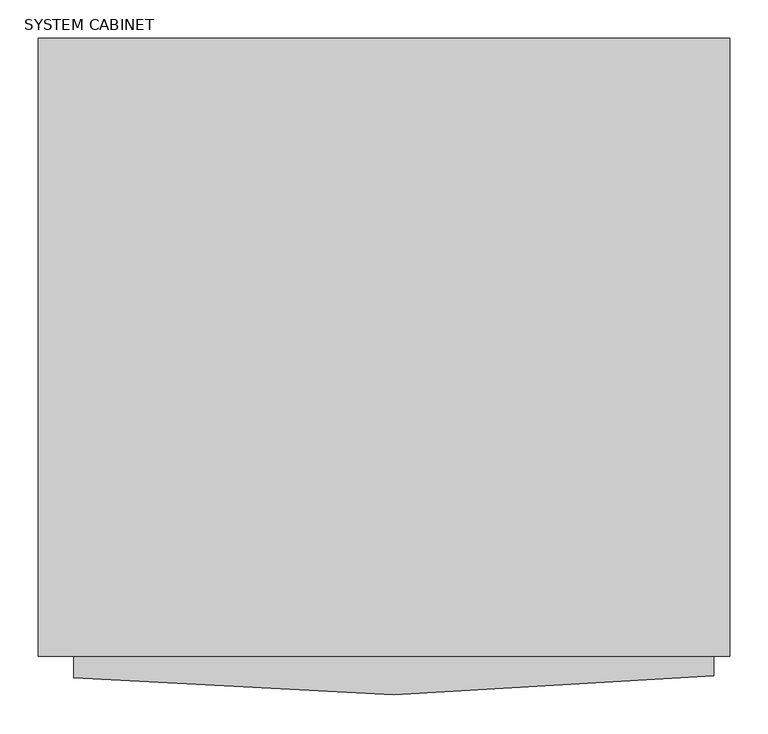
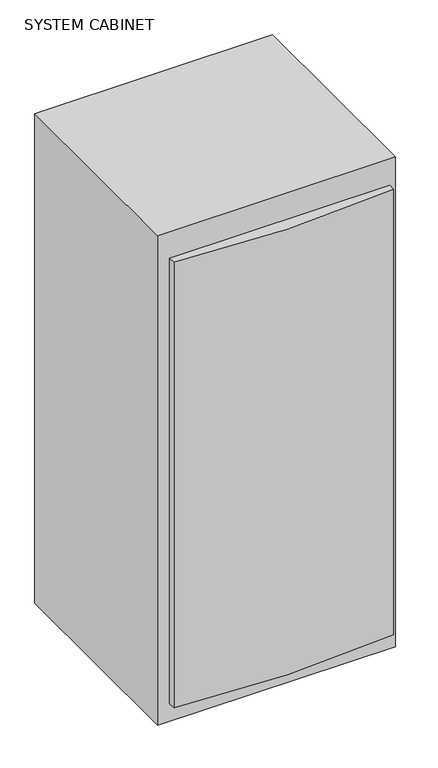
"""IFC4 building model written with IfcOpenShell, lengths in millimetres: proxy geometry, SYSTEM CABINET."""

from ifc_helpers import new_model, si_unit, point, frame, frame_2d, origin, origin_with_axes, place, context, project, spatial, polyline, circle_curve, trimmed, segment, composite_curve, outline, extrude, source, transform, mapped, element, save


def system_cabinet_992a74ca(model_context):
    return source(origin(), model_context, "Body", "SweptSolid", [
        extrude(outline(composite_curve([segment(trimmed(circle_curve(frame_2d((-6.81e-05, 2792.3410143)), 3645.7810143), [point((428.7814869, -828.1376257))], [point((-403.4792487, -831.0446614))], False, "CARTESIAN"), True, "CONTINUOUS"), segment(polyline([(-403.4792487, -831.0446614), (-403.4792487, -802.8352513), (428.7814869, -802.8352513), (428.7814869, -828.1376257)]), True, "CONTINUOUS")], self_intersect=False)), frame((0.0, 0.0, 70.6971728), z_axis=(0.0, 0.0, 1.0), x_axis=(1.0, 0.0, 0.0)), (0.0, 0.0, 1.0), 1778.9003237),
        extrude(outline(polyline([(449.1997955, 0.0), (449.1997955, -802.8352513), (-449.1997955, -802.8352513), (-449.1997955, 0.0), (449.1997955, 0.0)])), origin_with_axes(), (0.0, 0.0, 1.0), 1955.8),
        extrude(outline(composite_curve([segment(trimmed(circle_curve(frame_2d((-6.81e-05, 2792.3410143)), 3645.7810143), [point((428.7814869, -828.1376257))], [point((-403.4792487, -831.0446614))], False, "CARTESIAN"), True, "CONTINUOUS"), segment(polyline([(-403.4792487, -831.0446614), (-403.4792487, -802.8352513), (428.7814869, -802.8352513), (428.7814869, -828.1376257)]), True, "CONTINUOUS")], self_intersect=False)), frame((0.0, 0.0, 70.6971728), z_axis=(0.0, 0.0, 1.0), x_axis=(1.0, 0.0, 0.0)), (0.0, 0.0, 1.0), 1778.9003237),
        extrude(outline(polyline([(449.1997955, 0.0), (449.1997955, -802.8352513), (-449.1997955, -802.8352513), (-449.1997955, 0.0), (449.1997955, 0.0)])), origin_with_axes(), (0.0, 0.0, 1.0), 1955.8),
    ])


if __name__ == "__main__":
    model = new_model("IFC4")
    model_context = context("Model", 3, world=origin())
    ifc_project = project(units=[si_unit("LENGTHUNIT", "METRE", prefix="MILLI")], contexts=[model_context])
    site = spatial("IfcSite", under=ifc_project)
    building = spatial("IfcBuilding", under=site)
    placement = place(None, origin())
    system_cabinet_shape = system_cabinet_992a74ca(model_context)
    element("IfcBuildingElementProxy", 1, Name="SYSTEM CABINET", ObjectType="SYSTEM CABINET", at=placement, inside=building, context=model_context, shape_type="MappedRepresentation", body=[
        mapped(system_cabinet_shape, transform((0.0, 0.0, 0.0), x_axis=(1.0, 0.0, 0.0), y_axis=(0.0, 1.0, 0.0), z_axis=(0.0, 0.0, 1.0))),
    ])
    save(model, "model.ifc")
